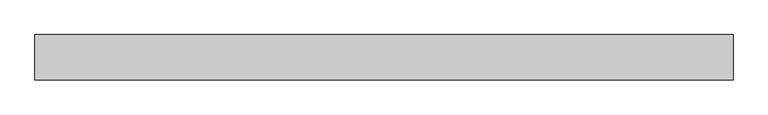
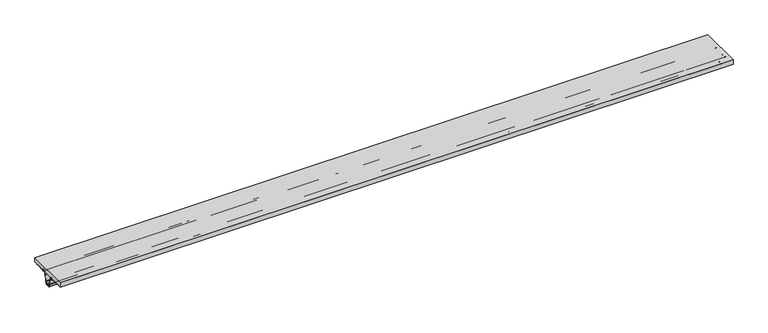
"""IFC4 building model written with IfcOpenShell, lengths in millimetres: beam geometry."""

from ifc_helpers import new_model, si_unit, point, frame, frame_2d, origin, place, context, project, spatial, polyline, circle_curve, trimmed, segment, composite_curve, outline, extrude, source, transform, mapped, element, save


def beam_0309b67a(model_context):
    return source(origin(), model_context, "Body", "SweptSolid", [
        extrude(outline(composite_curve([segment(trimmed(circle_curve(frame_2d((-39.9781056, -280.6977163)), 4.0), [point((-43.9324321, -281.3004615))], [point((-39.9781056, -284.6977163))], True, "CARTESIAN"), True, "CONTINUOUS"), segment(polyline([(-39.9781056, -284.6977163), (-38.1786565, -284.6977163)]), True, "CONTINUOUS"), segment(trimmed(circle_curve(frame_2d((-38.1786565, -279.1977163)), 5.5), [point((-38.1786565, -284.6977163))], [point((-43.5584683, -280.3412306))], False, "CARTESIAN"), True, "CONTINUOUS"), segment(polyline([(-43.5584683, -280.3412306), (-44.8696488, -272.9051565), (-43.6601876, -272.6480776), (-42.0912469, -280.0293631)]), True, "CONTINUOUS"), segment(trimmed(circle_curve(frame_2d((-38.1786565, -279.1977163)), 4.0), [point((-42.0912469, -280.0293631))], [point((-38.1786565, -283.1977163))], True, "CARTESIAN"), True, "CONTINUOUS"), segment(polyline([(-38.1786565, -283.1977163), (-15.9106433, -283.1977163)]), True, "CONTINUOUS"), segment(trimmed(circle_curve(frame_2d((-15.9106433, -279.1977163)), 4.0), [point((-15.9106433, -283.1977163))], [point((-13.0822162, -282.0261435))], True, "CARTESIAN"), True, "CONTINUOUS"), segment(polyline([(-13.0822162, -282.0261435), (-6.8647018, -275.808629)]), True, "CONTINUOUS"), segment(trimmed(circle_curve(frame_2d((-2.9756145, -279.6977163)), 5.5), [point((-6.8647018, -275.808629))], [point((-2.9756145, -274.1977163))], False, "CARTESIAN"), True, "CONTINUOUS"), segment(polyline([(-2.9756145, -274.1977163), (3.710677, -274.1977163)]), True, "CONTINUOUS"), segment(trimmed(circle_curve(frame_2d((3.710677, -279.6977163)), 5.5), [point((3.710677, -274.1977163))], [point((7.5997643, -275.808629))], False, "CARTESIAN"), True, "CONTINUOUS"), segment(polyline([(7.5997643, -275.808629), (13.8172788, -282.0261435)]), True, "CONTINUOUS"), segment(trimmed(circle_curve(frame_2d((16.6457059, -279.1977163)), 4.0), [point((13.8172788, -282.0261435))], [point((16.6457059, -283.1977163))], True, "CARTESIAN"), True, "CONTINUOUS"), segment(polyline([(16.6457059, -283.1977163), (38.642352, -283.1977163)]), True, "CONTINUOUS"), segment(trimmed(circle_curve(frame_2d((38.642352, -279.1977163)), 4.0), [point((38.642352, -283.1977163))], [point((42.5966786, -279.8004615))], True, "CARTESIAN"), True, "CONTINUOUS"), segment(polyline([(42.5966786, -279.8004615), (48.2425376, -242.7606443)]), True, "CONTINUOUS"), segment(trimmed(circle_curve(frame_2d((53.6797366, -243.5894188)), 5.5), [point((48.2425376, -242.7606443))], [point((51.0041384, -238.7840911))], False, "CARTESIAN"), True, "CONTINUOUS"), segment(polyline([(51.0041384, -238.7840911), (55.7786796, -236.1256349)]), True, "CONTINUOUS"), segment(trimmed(circle_curve(frame_2d((53.8327901, -232.6308511)), 4.0), [point((55.7786796, -236.1256349))], [point((57.7871166, -233.2335962))], True, "CARTESIAN"), True, "CONTINUOUS"), segment(polyline([(57.7871166, -233.2335962), (73.5554568, -129.7849561)]), True, "CONTINUOUS"), segment(trimmed(circle_curve(frame_2d((78.9926558, -130.6137307)), 5.5), [point((73.5554568, -129.7849561))], [point((76.3170577, -125.8084029))], False, "CARTESIAN"), True, "CONTINUOUS"), segment(polyline([(76.3170577, -125.8084029), (81.0915989, -123.1499467)]), True, "CONTINUOUS"), segment(trimmed(circle_curve(frame_2d((79.1457093, -119.6551629)), 4.0), [point((81.0915989, -123.1499467))], [point((83.1000359, -120.257908))], True, "CARTESIAN"), True, "CONTINUOUS"), segment(polyline([(83.1000359, -120.257908), (88.7530384, -83.1712254)]), True, "CONTINUOUS"), segment(trimmed(circle_curve(frame_2d((94.1902374, -84.0)), 5.5), [point((88.7530384, -83.1712254))], [point((94.1902374, -78.5))], False, "CARTESIAN"), True, "CONTINUOUS"), segment(polyline([(94.1902374, -78.5), (117.8905317, -78.5)]), True, "CONTINUOUS"), segment(trimmed(circle_curve(frame_2d((117.8905317, -84.0)), 5.5), [point((117.8905317, -78.5))], [point((121.779619, -80.1109127))], False, "CARTESIAN"), True, "CONTINUOUS"), segment(polyline([(121.779619, -80.1109127), (132.9971334, -91.3284271)]), True, "CONTINUOUS"), segment(trimmed(circle_curve(frame_2d((135.8255605, -88.5)), 4.0), [point((132.9971334, -91.3284271))], [point((135.8255605, -92.5))], True, "CARTESIAN"), True, "CONTINUOUS"), segment(polyline([(135.8255605, -92.5), (142.011852, -92.5)]), True, "CONTINUOUS"), segment(trimmed(circle_curve(frame_2d((142.011852, -88.5)), 4.0), [point((142.011852, -92.5))], [point((144.8402792, -91.3284271))], True, "CARTESIAN"), True, "CONTINUOUS"), segment(polyline([(144.8402792, -91.3284271), (154.3004343, -81.868272)]), True, "CONTINUOUS"), segment(trimmed(circle_curve(frame_2d((162.4321623, -90.0)), 11.5), [point((154.3004343, -81.868272))], [point((162.4321623, -78.5))], False, "CARTESIAN"), True, "CONTINUOUS"), segment(polyline([(162.4321623, -78.5), (165.4009665, -78.5)]), True, "CONTINUOUS"), segment(trimmed(circle_curve(frame_2d((165.4009665, -84.0)), 5.5), [point((165.4009665, -78.5))], [point((169.1337828, -79.960683))], False, "CARTESIAN"), True, "CONTINUOUS"), segment(trimmed(circle_curve(frame_2d((171.8485584, -77.0229978)), 4.0), [point((169.1337828, -79.960683))], [point((171.7928793, -81.0226103))], True, "CARTESIAN"), True, "CONTINUOUS"), segment(polyline([(171.7928793, -81.0226103), (277.9187063, -82.5), (327.3321089, -82.5), (327.3321089, -84.0), (277.9187063, -84.0), (171.81198, -82.5228762)]), True, "CONTINUOUS"), segment(trimmed(circle_curve(frame_2d((171.8485584, -77.0229978)), 5.5), [point((171.81198, -82.5228762))], [point((168.115742, -81.0623149))], False, "CARTESIAN"), True, "CONTINUOUS"), segment(trimmed(circle_curve(frame_2d((165.4009665, -84.0)), 4.0), [point((168.115742, -81.0623149))], [point((165.4009665, -80.0))], True, "CARTESIAN"), True, "CONTINUOUS"), segment(polyline([(165.4009665, -80.0), (162.4321623, -80.0)]), True, "CONTINUOUS"), segment(trimmed(circle_curve(frame_2d((162.4321623, -90.0)), 10.0), [point((162.4321623, -80.0))], [point((155.3610944, -82.9289322))], True, "CARTESIAN"), True, "CONTINUOUS"), segment(polyline([(155.3610944, -82.9289322), (145.9009393, -92.3890873)]), True, "CONTINUOUS"), segment(trimmed(circle_curve(frame_2d((142.011852, -88.5)), 5.5), [point((145.9009393, -92.3890873))], [point((142.011852, -94.0))], False, "CARTESIAN"), True, "CONTINUOUS"), segment(polyline([(142.011852, -94.0), (135.8255605, -94.0)]), True, "CONTINUOUS"), segment(trimmed(circle_curve(frame_2d((135.8255605, -88.5)), 5.5), [point((135.8255605, -94.0))], [point((131.9364732, -92.3890873))], False, "CARTESIAN"), True, "CONTINUOUS"), segment(polyline([(131.9364732, -92.3890873), (120.7189588, -81.1715729)]), True, "CONTINUOUS"), segment(trimmed(circle_curve(frame_2d((117.8905317, -84.0)), 4.0), [point((120.7189588, -81.1715729))], [point((117.8905317, -80.0))], True, "CARTESIAN"), True, "CONTINUOUS"), segment(polyline([(117.8905317, -80.0), (94.1902374, -80.0)]), True, "CONTINUOUS"), segment(trimmed(circle_curve(frame_2d((94.1902374, -84.0)), 4.0), [point((94.1902374, -80.0))], [point((90.2359109, -83.3972549))], True, "CARTESIAN"), True, "CONTINUOUS"), segment(polyline([(90.2359109, -83.3972549), (84.5829083, -120.4839375)]), True, "CONTINUOUS"), segment(trimmed(circle_curve(frame_2d((79.1457093, -119.6551629)), 5.5), [point((84.5829083, -120.4839375))], [point((81.8213075, -124.4604906))], False, "CARTESIAN"), True, "CONTINUOUS"), segment(polyline([(81.8213075, -124.4604906), (77.0467663, -127.1189469)]), True, "CONTINUOUS"), segment(trimmed(circle_curve(frame_2d((78.9926558, -130.6137307)), 4.0), [point((77.0467663, -127.1189469))], [point((75.0383293, -130.0109855))], True, "CARTESIAN"), True, "CONTINUOUS"), segment(polyline([(75.0383293, -130.0109855), (59.2699891, -233.4596256)]), True, "CONTINUOUS"), segment(trimmed(circle_curve(frame_2d((53.8327901, -232.6308511)), 5.5), [point((59.2699891, -233.4596256))], [point((56.5083882, -237.4361788))], False, "CARTESIAN"), True, "CONTINUOUS"), segment(polyline([(56.5083882, -237.4361788), (51.733847, -240.094635)]), True, "CONTINUOUS"), segment(trimmed(circle_curve(frame_2d((53.6797366, -243.5894188)), 4.0), [point((51.733847, -240.094635))], [point((49.72541, -242.9866737))], True, "CARTESIAN"), True, "CONTINUOUS"), segment(polyline([(49.72541, -242.9866737), (43.7180429, -280.8147661)]), True, "CONTINUOUS"), segment(trimmed(circle_curve(frame_2d((38.642352, -279.4388361)), 5.2588802), [point((43.7180429, -280.8147661))], [point((38.642352, -284.6977163))], False, "CARTESIAN"), True, "CONTINUOUS"), segment(polyline([(38.642352, -284.6977163), (39.8453761, -284.6977163)]), True, "CONTINUOUS"), segment(trimmed(circle_curve(frame_2d((39.8453761, -280.6977163)), 4.0), [point((39.8453761, -284.6977163))], [point((43.7579665, -281.5293631))], True, "CARTESIAN"), True, "CONTINUOUS"), segment(polyline([(43.7579665, -281.5293631), (45.3269072, -274.1480776), (46.7941286, -274.4599451), (45.2251879, -281.8412306)]), True, "CONTINUOUS"), segment(trimmed(circle_curve(frame_2d((39.8453761, -280.6977163)), 5.5), [point((45.2251879, -281.8412306))], [point((39.8453761, -286.1977163))], False, "CARTESIAN"), True, "CONTINUOUS"), segment(polyline([(39.8453761, -286.1977163), (14.3273629, -286.1977163)]), True, "CONTINUOUS"), segment(trimmed(circle_curve(frame_2d((14.3273629, -280.6977163)), 5.5), [point((14.3273629, -286.1977163))], [point((10.4382756, -284.5868036))], False, "CARTESIAN"), True, "CONTINUOUS"), segment(polyline([(10.4382756, -284.5868036), (5.2207612, -279.3692892)]), True, "CONTINUOUS"), segment(trimmed(circle_curve(frame_2d((2.3923341, -282.1977163)), 4.0), [point((5.2207612, -279.3692892))], [point((2.3923341, -278.1977163))], True, "CARTESIAN"), True, "CONTINUOUS"), segment(polyline([(2.3923341, -278.1977163), (-2.7939574, -278.1977163)]), True, "CONTINUOUS"), segment(trimmed(circle_curve(frame_2d((-2.7939574, -282.1977163)), 4.0), [point((-2.7939574, -278.1977163))], [point((-5.6223846, -279.3692892))], True, "CARTESIAN"), True, "CONTINUOUS"), segment(polyline([(-5.6223846, -279.3692892), (-10.839899, -284.5868036)]), True, "CONTINUOUS"), segment(trimmed(circle_curve(frame_2d((-14.7289863, -280.6977163)), 5.5), [point((-10.839899, -284.5868036))], [point((-14.7289863, -286.1977163))], False, "CARTESIAN"), True, "CONTINUOUS"), segment(polyline([(-14.7289863, -286.1977163), (-39.9781056, -286.1977163)]), True, "CONTINUOUS"), segment(trimmed(circle_curve(frame_2d((-39.9781056, -280.6977163)), 5.5), [point((-39.9781056, -286.1977163))], [point((-45.4153045, -281.5264909))], False, "CARTESIAN"), True, "CONTINUOUS"), segment(polyline([(-45.4153045, -281.5264909), (-51.0611636, -244.4866737)]), True, "CONTINUOUS"), segment(trimmed(circle_curve(frame_2d((-55.0154901, -245.0894188)), 4.0), [point((-51.0611636, -244.4866737))], [point((-53.0696006, -241.594635))], True, "CARTESIAN"), True, "CONTINUOUS"), segment(polyline([(-53.0696006, -241.594635), (-57.8441417, -238.9361788)]), True, "CONTINUOUS"), segment(trimmed(circle_curve(frame_2d((-55.1685436, -234.1308511)), 5.5), [point((-57.8441417, -238.9361788))], [point((-60.6057426, -234.9596256))], False, "CARTESIAN"), True, "CONTINUOUS"), segment(polyline([(-60.6057426, -234.9596256), (-76.3740828, -131.5109855)]), True, "CONTINUOUS"), segment(trimmed(circle_curve(frame_2d((-80.3284093, -132.1137307)), 4.0), [point((-76.3740828, -131.5109855))], [point((-78.3825198, -128.6189469))], True, "CARTESIAN"), True, "CONTINUOUS"), segment(polyline([(-78.3825198, -128.6189469), (-83.157061, -125.9604906)]), True, "CONTINUOUS"), segment(trimmed(circle_curve(frame_2d((-80.4814629, -121.1551629)), 5.5), [point((-83.157061, -125.9604906))], [point((-85.9186618, -121.9839375))], False, "CARTESIAN"), True, "CONTINUOUS"), segment(polyline([(-85.9186618, -121.9839375), (-91.5716644, -84.8972549)]), True, "CONTINUOUS"), segment(trimmed(circle_curve(frame_2d((-95.5259909, -85.5)), 4.0), [point((-91.5716644, -84.8972549))], [point((-95.5259909, -81.5))], True, "CARTESIAN"), True, "CONTINUOUS"), segment(polyline([(-95.5259909, -81.5), (-119.2226371, -81.5)]), True, "CONTINUOUS"), segment(trimmed(circle_curve(frame_2d((-119.2226371, -85.5)), 4.0), [point((-119.2226371, -81.5))], [point((-122.0510642, -82.6715729))], True, "CARTESIAN"), True, "CONTINUOUS"), segment(polyline([(-122.0510642, -82.6715729), (-133.2685786, -93.8890873)]), True, "CONTINUOUS"), segment(trimmed(circle_curve(frame_2d((-137.1576659, -90.0)), 5.5), [point((-133.2685786, -93.8890873))], [point((-137.1576659, -95.5))], False, "CARTESIAN"), True, "CONTINUOUS"), segment(polyline([(-137.1576659, -95.5), (-143.3439574, -95.5)]), True, "CONTINUOUS"), segment(trimmed(circle_curve(frame_2d((-143.3439574, -90.0)), 5.5), [point((-143.3439574, -95.5))], [point((-147.2330447, -93.8890873))], False, "CARTESIAN"), True, "CONTINUOUS"), segment(polyline([(-147.2330447, -93.8890873), (-156.6931998, -84.4289322)]), True, "CONTINUOUS"), segment(trimmed(circle_curve(frame_2d((-163.7642677, -91.5)), 10.0), [point((-156.6931998, -84.4289322))], [point((-163.7642677, -81.5))], True, "CARTESIAN"), True, "CONTINUOUS"), segment(polyline([(-163.7642677, -81.5), (-166.7330719, -81.5)]), True, "CONTINUOUS"), segment(trimmed(circle_curve(frame_2d((-166.7330719, -85.5)), 4.0), [point((-166.7330719, -81.5))], [point((-169.4478474, -82.5623149))], True, "CARTESIAN"), True, "CONTINUOUS"), segment(trimmed(circle_curve(frame_2d((-173.1806638, -78.5229978)), 5.5), [point((-169.4478474, -82.5623149))], [point((-173.0641288, -84.0217631))], False, "CARTESIAN"), True, "CONTINUOUS"), segment(polyline([(-173.0641288, -84.0217631), (-279.2508117, -85.5), (-328.6678911, -85.5), (-328.6678911, -84.0), (-279.2508117, -84.0), (-173.1249847, -82.5226103)]), True, "CONTINUOUS"), segment(trimmed(circle_curve(frame_2d((-173.1806638, -78.5229978)), 4.0), [point((-173.1249847, -82.5226103))], [point((-170.4658883, -81.460683))], True, "CARTESIAN"), True, "CONTINUOUS"), segment(trimmed(circle_curve(frame_2d((-166.7330719, -85.5)), 5.5), [point((-170.4658883, -81.460683))], [point((-166.7330719, -80.0))], False, "CARTESIAN"), True, "CONTINUOUS"), segment(polyline([(-166.7330719, -80.0), (-163.7642677, -80.0)]), True, "CONTINUOUS"), segment(trimmed(circle_curve(frame_2d((-163.7642677, -91.5)), 11.5), [point((-163.7642677, -80.0))], [point((-155.6325397, -83.368272))], False, "CARTESIAN"), True, "CONTINUOUS"), segment(polyline([(-155.6325397, -83.368272), (-146.1723846, -92.8284271)]), True, "CONTINUOUS"), segment(trimmed(circle_curve(frame_2d((-143.3439574, -90.0)), 4.0), [point((-146.1723846, -92.8284271))], [point((-143.3439574, -94.0))], True, "CARTESIAN"), True, "CONTINUOUS"), segment(polyline([(-143.3439574, -94.0), (-137.1576659, -94.0)]), True, "CONTINUOUS"), segment(trimmed(circle_curve(frame_2d((-137.1576659, -90.0)), 4.0), [point((-137.1576659, -94.0))], [point((-134.3292388, -92.8284271))], True, "CARTESIAN"), True, "CONTINUOUS"), segment(polyline([(-134.3292388, -92.8284271), (-123.1117244, -81.6109127)]), True, "CONTINUOUS"), segment(trimmed(circle_curve(frame_2d((-119.2226371, -85.5)), 5.5), [point((-123.1117244, -81.6109127))], [point((-119.2226371, -80.0))], False, "CARTESIAN"), True, "CONTINUOUS"), segment(polyline([(-119.2226371, -80.0), (-95.5259909, -80.0)]), True, "CONTINUOUS"), segment(trimmed(circle_curve(frame_2d((-95.5259909, -85.5)), 5.5), [point((-95.5259909, -80.0))], [point((-90.088792, -84.6712254))], False, "CARTESIAN"), True, "CONTINUOUS"), segment(polyline([(-90.088792, -84.6712254), (-84.4357894, -121.757908)]), True, "CONTINUOUS"), segment(trimmed(circle_curve(frame_2d((-80.4814629, -121.1551629)), 4.0), [point((-84.4357894, -121.757908))], [point((-82.4273524, -124.6499467))], True, "CARTESIAN"), True, "CONTINUOUS"), segment(polyline([(-82.4273524, -124.6499467), (-77.6528112, -127.3084029)]), True, "CONTINUOUS"), segment(trimmed(circle_curve(frame_2d((-80.3284093, -132.1137307)), 5.5), [point((-77.6528112, -127.3084029))], [point((-74.8912104, -131.2849561))], False, "CARTESIAN"), True, "CONTINUOUS"), segment(polyline([(-74.8912104, -131.2849561), (-59.1228701, -234.7335962)]), True, "CONTINUOUS"), segment(trimmed(circle_curve(frame_2d((-55.1685436, -234.1308511)), 4.0), [point((-59.1228701, -234.7335962))], [point((-57.1144332, -237.6256349))], True, "CARTESIAN"), True, "CONTINUOUS"), segment(polyline([(-57.1144332, -237.6256349), (-52.339892, -240.2840911)]), True, "CONTINUOUS"), segment(trimmed(circle_curve(frame_2d((-55.0154901, -245.0894188)), 5.5), [point((-52.339892, -240.2840911))], [point((-49.5782911, -244.2606443))], False, "CARTESIAN"), True, "CONTINUOUS"), segment(polyline([(-49.5782911, -244.2606443), (-43.9324321, -281.3004615)]), True, "CONTINUOUS")], self_intersect=False), holes=[composite_curve([segment(polyline([(-11.9005592, -283.5261435), (-6.6830447, -278.308629)]), True, "CONTINUOUS"), segment(trimmed(circle_curve(frame_2d((-2.7939574, -282.1977163)), 5.5), [point((-6.6830447, -278.308629))], [point((-2.7939574, -276.6977163))], False, "CARTESIAN"), True, "CONTINUOUS"), segment(polyline([(-2.7939574, -276.6977163), (2.3923341, -276.6977163)]), True, "CONTINUOUS"), segment(trimmed(circle_curve(frame_2d((2.3923341, -282.1977163)), 5.5), [point((2.3923341, -276.6977163))], [point((6.2814214, -278.308629))], False, "CARTESIAN"), True, "CONTINUOUS"), segment(polyline([(6.2814214, -278.308629), (11.4989358, -283.5261435)]), True, "CONTINUOUS"), segment(trimmed(circle_curve(frame_2d((14.3273629, -280.6977163)), 4.0), [point((11.4989358, -283.5261435))], [point((14.3273629, -284.6977163))], True, "CARTESIAN"), True, "CONTINUOUS"), segment(polyline([(14.3273629, -284.6977163), (16.6457059, -284.6977163)]), True, "CONTINUOUS"), segment(trimmed(circle_curve(frame_2d((16.6457059, -279.1977163)), 5.5), [point((16.6457059, -284.6977163))], [point((12.7566186, -283.0868036))], False, "CARTESIAN"), True, "CONTINUOUS"), segment(polyline([(12.7566186, -283.0868036), (6.5391042, -276.8692892)]), True, "CONTINUOUS"), segment(trimmed(circle_curve(frame_2d((3.710677, -279.6977163)), 4.0), [point((6.5391042, -276.8692892))], [point((3.710677, -275.6977163))], True, "CARTESIAN"), True, "CONTINUOUS"), segment(polyline([(3.710677, -275.6977163), (-2.9756145, -275.6977163)]), True, "CONTINUOUS"), segment(trimmed(circle_curve(frame_2d((-2.9756145, -279.6977163)), 4.0), [point((-2.9756145, -275.6977163))], [point((-5.8040416, -276.8692892))], True, "CARTESIAN"), True, "CONTINUOUS"), segment(polyline([(-5.8040416, -276.8692892), (-12.021556, -283.0868036)]), True, "CONTINUOUS"), segment(trimmed(circle_curve(frame_2d((-15.9106433, -279.1977163)), 5.5), [point((-12.021556, -283.0868036))], [point((-15.9106433, -284.6977163))], False, "CARTESIAN"), True, "CONTINUOUS"), segment(polyline([(-15.9106433, -284.6977163), (-14.7289863, -284.6977163)]), True, "CONTINUOUS"), segment(trimmed(circle_curve(frame_2d((-14.7289863, -280.6977163)), 4.0), [point((-14.7289863, -284.6977163))], [point((-11.9005592, -283.5261435))], True, "CARTESIAN"), True, "CONTINUOUS")], self_intersect=False)]), frame((-6000.0, 0.0, 0.0), z_axis=(1.0, 0.0, 0.0), x_axis=(0.0, 1.0, 0.0)), (0.0, 0.0, 1.0), 12000.0),
        extrude(outline(polyline([(6000.0, 390.0), (6000.0, -390.0), (-6000.0, -390.0), (-6000.0, 390.0), (6000.0, 390.0)])), frame((0.0, 0.0, -80.0), z_axis=(0.0, 0.0, 1.0), x_axis=(1.0, 0.0, 0.0)), (0.0, 0.0, 1.0), 80.0),
    ])


if __name__ == "__main__":
    model = new_model("IFC4")
    model_context = context("Model", 3, world=origin())
    ifc_project = project(units=[si_unit("LENGTHUNIT", "METRE", prefix="MILLI")], contexts=[model_context])
    site = spatial("IfcSite", under=ifc_project)
    building = spatial("IfcBuilding", under=site)
    placement = place(None, origin())
    beam_shape = beam_0309b67a(model_context)
    element("IfcBeam", 1, at=placement, inside=building, context=model_context, shape_type="MappedRepresentation", body=[
        mapped(beam_shape, transform((0.0, 0.0, 0.0), x_axis=(1.0, 0.0, 0.0), y_axis=(0.0, 1.0, 0.0), z_axis=(0.0, 0.0, 1.0))),
    ])
    save(model, "model.ifc")
